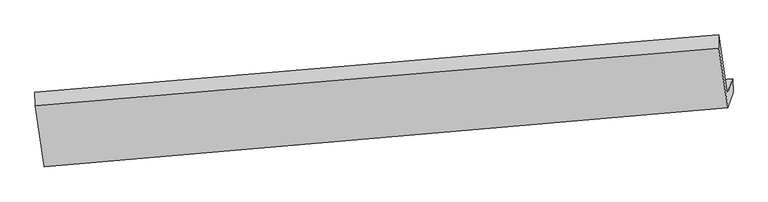
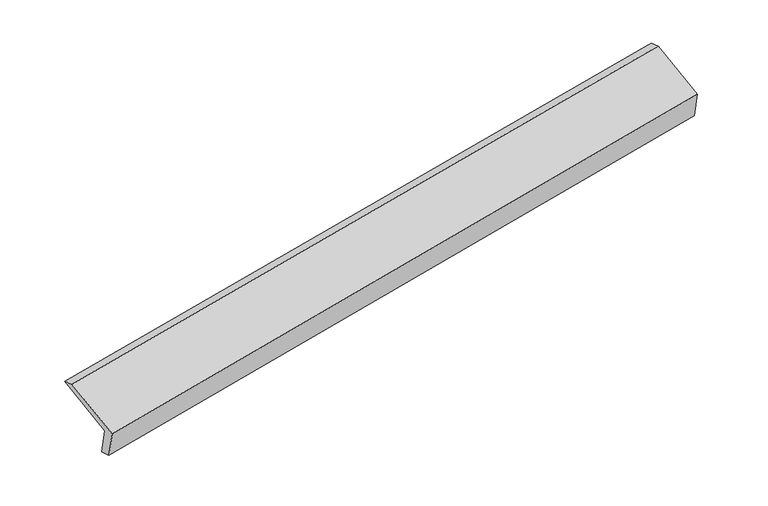
"""IFC4 building model written with IfcOpenShell, lengths in millimetres: proxy geometry."""

from ifc_helpers import new_model, si_unit, origin, place, context, project, spatial, faceted_brep, source, transform, mapped, element, save


def generic_models_a511de26(model_context):
    return source(origin(), model_context, "Body", "Brep", [
        faceted_brep([(-6280.0733534, -1840.0149539, 952.8728273), (-6332.43977, -1992.5815788, 1315.8091238), (633.9090325, -1387.7464853, 2575.2047184), (686.2754492, -1235.1798604, 2212.2684218), (-6275.3602778, -1977.3688006, 989.1563039), (690.9885248, -1372.5337072, 2248.5518985), (-6329.1831119, -2134.1786163, 1362.1866032), (637.1656907, -1529.3435228, 2621.5821978), (-6424.3397383, -1510.588249, 1610.5940151), (544.8162216, -924.1493128, 2862.6614949), (-6426.5728948, -1375.6985297, 1561.5446736), (542.5830651, -789.2595935, 2813.6121534)], [[[0, 1, 2, 3]], [[4, 0, 3, 5]], [[6, 4, 5, 7]], [[8, 6, 7, 9]], [[10, 8, 9, 11]], [[1, 10, 11, 2]], [[9, 7, 5, 3, 2, 11]], [[1, 0, 4, 6, 8, 10]]]),
    ])


if __name__ == "__main__":
    model = new_model("IFC4")
    model_context = context("Model", 3, world=origin())
    ifc_project = project(units=[si_unit("LENGTHUNIT", "METRE", prefix="MILLI")], contexts=[model_context])
    site = spatial("IfcSite", under=ifc_project)
    building = spatial("IfcBuilding", under=site)
    placement = place(None, origin())
    generic_models_shape = generic_models_a511de26(model_context)
    element("IfcBuildingElementProxy", 1, Name="Generic Models", at=placement, inside=building, context=model_context, shape_type="MappedRepresentation", body=[
        mapped(generic_models_shape, transform((0.0, 0.0, 0.0), x_axis=(1.0, 0.0, 0.0), y_axis=(0.0, 1.0, 0.0), z_axis=(0.0, 0.0, 1.0))),
    ])
    save(model, "model.ifc")
